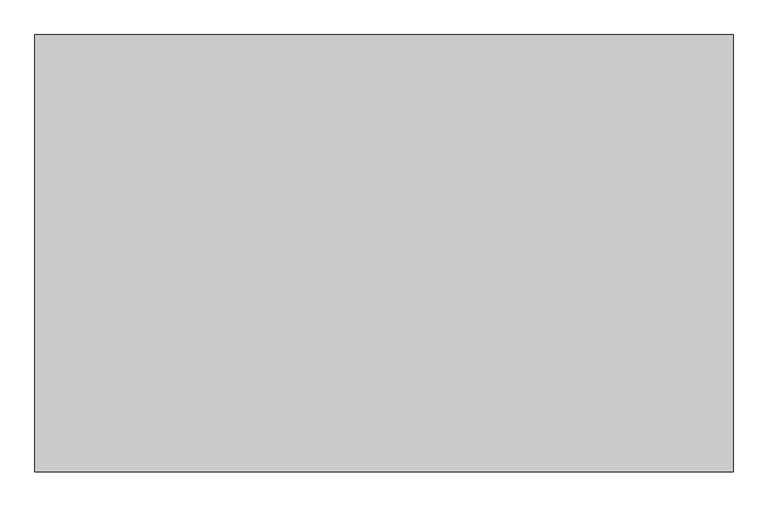
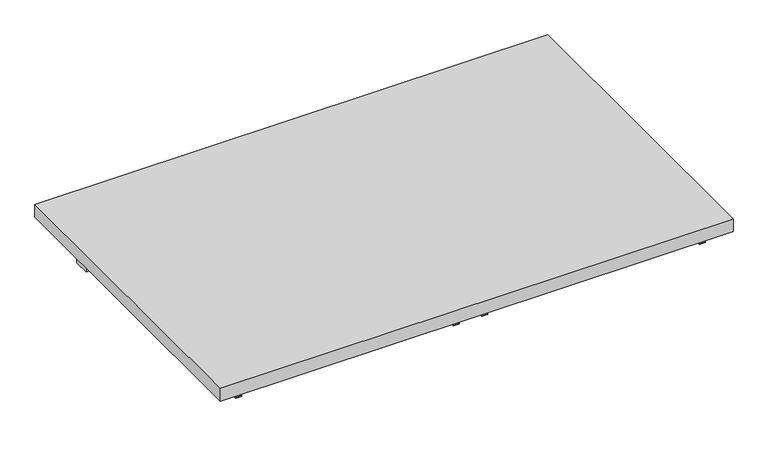
"""IFC4 building model written with IfcOpenShell, lengths in millimetres: furniture geometry."""

from ifc_helpers import new_model, si_unit, frame, origin, place, context, project, spatial, polyline, outline, extrude, source, transform, mapped, element, save


def furniture_e3d842bf(model_context):
    return source(origin(), model_context, "Body", "SweptSolid", [
        extrude(outline(polyline([(912.8125, 254.0), (912.8125, -508.0), (-303.2125, -508.0), (-303.2125, 254.0), (912.8125, 254.0)])), frame((0.0, 0.0, 476.25), z_axis=(0.0, 0.0, 1.0), x_axis=(1.0, 0.0, 0.0)), (0.0, 0.0, 1.0), 31.75),
        extrude(outline(polyline([(879.475, 139.7), (879.475, 101.6), (-269.875, 101.6), (-269.875, 139.7), (879.475, 139.7)])), frame((0.0, 0.0, 419.1), z_axis=(0.0, 0.0, 1.0), x_axis=(1.0, 0.0, 0.0)), (0.0, 0.0, 1.0), 57.15),
        extrude(outline(polyline([(452.4375, 333.375), (476.25, 333.375), (476.25, 331.7875), (450.85, 331.7875), (450.85, 346.075), (452.4375, 346.075), (452.4375, 333.375)])), frame((0.0, -482.6, 0.0), z_axis=(0.0, 1.0, 0.0), x_axis=(0.0, 0.0, 1.0)), (0.0, 0.0, 1.0), 390.525),
        extrude(outline(polyline([(452.4375, 276.225), (452.4375, 263.525), (450.85, 263.525), (450.85, 277.8125), (476.25, 277.8125), (476.25, 276.225), (452.4375, 276.225)])), frame((0.0, -482.6, 0.0), z_axis=(0.0, 1.0, 0.0), x_axis=(0.0, 0.0, 1.0)), (0.0, 0.0, 1.0), 390.525),
        extrude(outline(polyline([(452.4375, -250.825), (476.25, -250.825), (476.25, -252.4125), (450.85, -252.4125), (450.85, -238.125), (452.4375, -238.125), (452.4375, -250.825)])), frame((0.0, -482.6, 0.0), z_axis=(0.0, 1.0, 0.0), x_axis=(0.0, 0.0, 1.0)), (0.0, 0.0, 1.0), 390.525),
        extrude(outline(polyline([(452.4375, 860.425), (452.4375, 847.725), (450.85, 847.725), (450.85, 862.0125), (476.25, 862.0125), (476.25, 860.425), (452.4375, 860.425)])), frame((0.0, -482.6, 0.0), z_axis=(0.0, 1.0, 0.0), x_axis=(0.0, 0.0, 1.0)), (0.0, 0.0, 1.0), 390.525),
    ])


if __name__ == "__main__":
    model = new_model("IFC4")
    model_context = context("Model", 3, world=origin())
    ifc_project = project(units=[si_unit("LENGTHUNIT", "METRE", prefix="MILLI")], contexts=[model_context])
    site = spatial("IfcSite", under=ifc_project)
    building = spatial("IfcBuilding", under=site)
    placement = place(None, origin())
    furniture_shape = furniture_e3d842bf(model_context)
    element("IfcFurniture", 1, at=placement, inside=building, context=model_context, shape_type="MappedRepresentation", body=[
        mapped(furniture_shape, transform((0.0, 0.0, 0.0), x_axis=(1.0, 0.0, 0.0), y_axis=(0.0, 1.0, 0.0), z_axis=(0.0, 0.0, 1.0))),
    ])
    save(model, "model.ifc")
